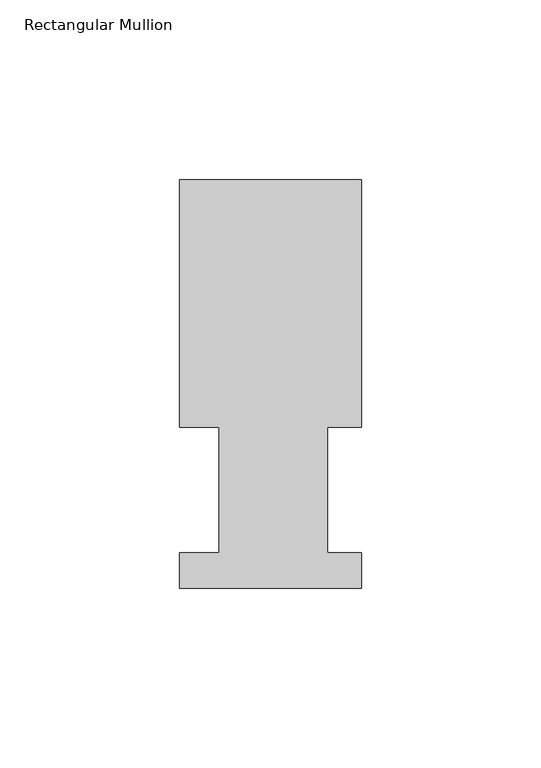
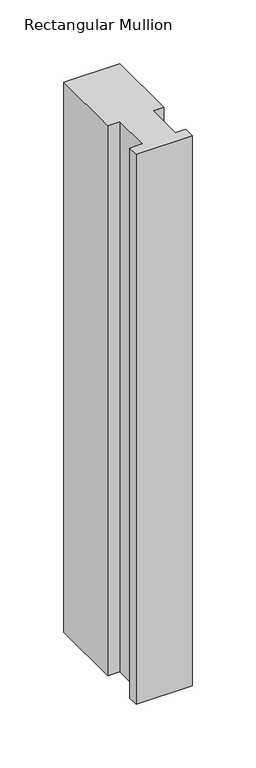
"""IFC4 building model written with IfcOpenShell, lengths in millimetres: member geometry, Rectangular Mullion."""

from ifc_helpers import new_model, si_unit, frame, origin, place, context, project, spatial, polyline, outline, extrude, source, transform, mapped, element, save


def rectangular_mullion_1bfb73c2(model_context):
    return source(origin(), model_context, "Body", "SweptSolid", [
        extrude(outline(polyline([(-50.8, 113.8189875), (0.0, 113.8189875), (0.0, 44.8833875), (-9.525, 44.8833875), (-9.525, 9.9329875), (0.0, 9.9329875), (0.0, 0.0269875), (-50.8, 0.0269875), (-50.8, 9.9329875), (-39.6875, 9.9329875), (-39.6875, 44.8833875), (-50.8, 44.8833875), (-50.8, 113.8189875)])), frame((0.0, 0.0, -527.05), z_axis=(0.0, 0.0, 1.0), x_axis=(1.0, 0.0, 0.0)), (0.0, 0.0, 1.0), 527.05),
    ])


if __name__ == "__main__":
    model = new_model("IFC4")
    model_context = context("Model", 3, world=origin())
    ifc_project = project(units=[si_unit("LENGTHUNIT", "METRE", prefix="MILLI")], contexts=[model_context])
    site = spatial("IfcSite", under=ifc_project)
    building = spatial("IfcBuilding", under=site)
    placement = place(None, origin())
    rectangular_mullion_shape = rectangular_mullion_1bfb73c2(model_context)
    element("IfcMember", 1, ObjectType="Rectangular Mullion", at=placement, inside=building, context=model_context, shape_type="MappedRepresentation", body=[
        mapped(rectangular_mullion_shape, transform((0.0, 0.0, 0.0), x_axis=(1.0, 0.0, 0.0), y_axis=(0.0, 1.0, 0.0), z_axis=(0.0, 0.0, 1.0))),
    ])
    save(model, "model.ifc")
